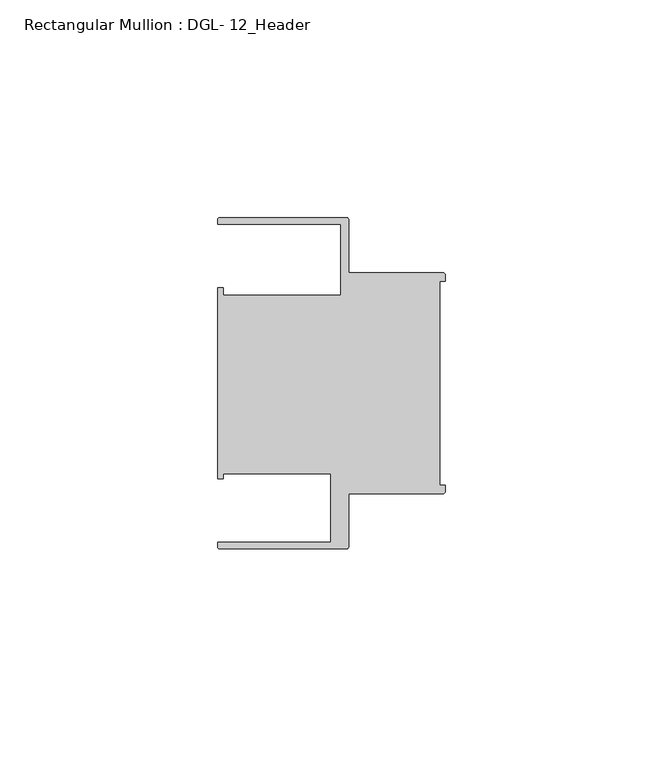
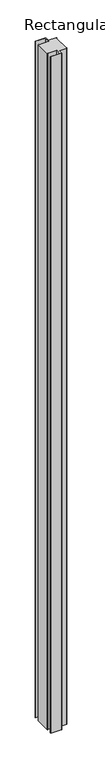
"""IFC4 building model written with IfcOpenShell, lengths in millimetres: member geometry, Rectangular Mullion : DGL- 12_Header."""

from ifc_helpers import new_model, si_unit, point, frame, frame_2d, origin, place, context, project, spatial, polyline, circle_curve, trimmed, segment, composite_curve, outline, extrude, source, transform, mapped, element, save


def rectangular_mullion_dgl_12_header_a48280cc(model_context):
    return source(origin(), model_context, "Body", "SweptSolid", [
        extrude(outline(composite_curve([segment(trimmed(circle_curve(frame_2d((-0.5953125, 24.8046875)), 0.5953125), [point((-0.5953125, 25.4))], [point((0.0, 24.8046875))], False, "CARTESIAN"), True, "CONTINUOUS"), segment(polyline([(0.0, 24.8046875), (0.0, 23.4882401), (-1.30175, 23.4882401), (-1.30175, -23.4882401), (0.0, -23.4882401), (0.0, -24.8046875)]), True, "CONTINUOUS"), segment(trimmed(circle_curve(frame_2d((-0.5953125, -24.8046875)), 0.5953125), [point((0.0, -24.8046875))], [point((-0.5953125, -25.4))], False, "CARTESIAN"), True, "CONTINUOUS"), segment(polyline([(-0.5953125, -25.4), (-22.2332076, -25.4), (-22.2332076, -37.5047035)]), True, "CONTINUOUS"), segment(trimmed(circle_curve(frame_2d((-22.8285201, -37.5047035)), 0.5953125), [point((-22.2332076, -37.5047035))], [point((-22.8285201, -38.100016))], False, "CARTESIAN"), True, "CONTINUOUS"), segment(polyline([(-22.8285201, -38.100016), (-51.7968699, -38.100016)]), True, "CONTINUOUS"), segment(trimmed(circle_curve(frame_2d((-51.7968699, -37.5047035)), 0.5953125), [point((-51.7968699, -38.100016))], [point((-52.3921824, -37.5047035))], False, "CARTESIAN"), True, "CONTINUOUS"), segment(polyline([(-52.3921824, -37.5047035), (-52.3921824, -36.512516), (-26.3720794, -36.512516), (-26.3720794, -20.8257348), (-51.1280305, -20.8257348), (-51.1280305, -21.9710976), (-52.3948122, -21.9710976), (-52.3948122, 21.9710976), (-51.1280305, 21.9710976), (-51.1280305, 20.1823589), (-24.0747075, 20.1823589), (-24.0747075, 36.5123462), (-52.3921824, 36.5123462), (-52.3921824, 37.5043667)]), True, "CONTINUOUS"), segment(trimmed(circle_curve(frame_2d((-51.7968699, 37.5043667)), 0.5953125), [point((-52.3921824, 37.5043667))], [point((-51.7968699, 38.0996792))], False, "CARTESIAN"), True, "CONTINUOUS"), segment(polyline([(-51.7968699, 38.0996792), (-22.8285201, 38.0996792)]), True, "CONTINUOUS"), segment(trimmed(circle_curve(frame_2d((-22.8285201, 37.5043667)), 0.5953125), [point((-22.8285201, 38.0996792))], [point((-22.2332076, 37.5043667))], False, "CARTESIAN"), True, "CONTINUOUS"), segment(polyline([(-22.2332076, 37.5043667), (-22.2332076, 25.4), (-0.5953125, 25.4)]), True, "CONTINUOUS")], self_intersect=False)), frame((0.0, 0.0, -1981.2), z_axis=(0.0, 0.0, 1.0), x_axis=(1.0, 0.0, 0.0)), (0.0, 0.0, 1.0), 1981.2),
    ])


if __name__ == "__main__":
    model = new_model("IFC4")
    model_context = context("Model", 3, world=origin())
    ifc_project = project(units=[si_unit("LENGTHUNIT", "METRE", prefix="MILLI")], contexts=[model_context])
    site = spatial("IfcSite", under=ifc_project)
    building = spatial("IfcBuilding", under=site)
    placement = place(None, origin())
    rectangular_mullion_dgl_12_header_shape = rectangular_mullion_dgl_12_header_a48280cc(model_context)
    element("IfcMember", 1, ObjectType="Rectangular Mullion : DGL- 12_Header", at=placement, inside=building, context=model_context, shape_type="MappedRepresentation", body=[
        mapped(rectangular_mullion_dgl_12_header_shape, transform((0.0, 0.0, 0.0), x_axis=(1.0, 0.0, 0.0), y_axis=(0.0, 1.0, 0.0), z_axis=(0.0, 0.0, 1.0))),
    ])
    save(model, "model.ifc")
